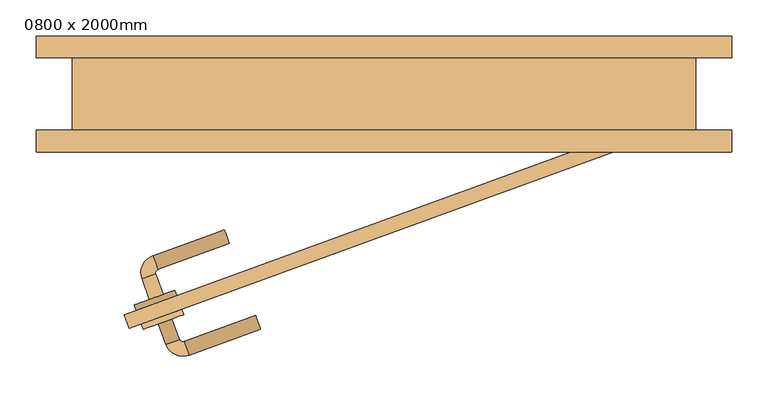
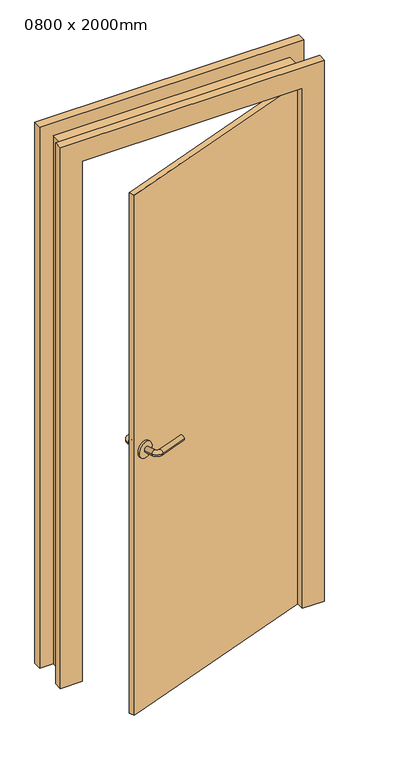
"""IFC4 building model written with IfcOpenShell, lengths in millimetres: door geometry, 0800 x 2000mm."""

from ifc_helpers import new_model, si_unit, point, frame, frame_2d, origin, place, context, project, spatial, circle_curve, ellipse_curve, trimmed, segment, composite_curve, outline, extrude, faceted_brep, source, transform, mapped, element, save
from ifc_brep_helpers import plane_surface, cylinder_surface, revolved_surface, advanced_brep


def door_0800_x_2000mm_86d70830(model_context):
    return source(origin(), model_context, "Body", "SolidModel", [
        advanced_brep(
        [(-323.7429558, -283.6239155, 1000.0), (-304.9491034, -276.7835127, 1000.0), (-334.0035601, -255.4331369, 1000.0), (-315.2097077, -248.5927341, 1000.0), (-312.2213453, -242.1841702, 1000.0), (-319.0617482, -223.3903178, 1000.0), (-220.394023, -187.4782028, 1000.0), (-213.5536201, -206.2720552, 1000.0)],
        [
            (0, 1, circle_curve(frame((-314.3460296, -280.2037141, 1000.0), z_axis=(0.3420201433256621, -0.9396926207859108, 0.0), x_axis=(0.9396926207859095, 0.34202014332566166, 0.0)), 10.0)),
            (1, 0, circle_curve(frame((-314.3460296, -280.2037141, 1000.0), z_axis=(0.3420201433256621, -0.9396926207859108, 0.0), x_axis=(0.9396926207859095, 0.34202014332566166, 0.0)), 10.0)),
            (0, 2),
            (2, 3, circle_curve(frame((-324.6066339, -252.0129355, 1000.0), z_axis=(0.3420201433256621, -0.9396926207859108, 0.0), x_axis=(0.9396926207859095, 0.34202014332566166, 0.0)), 10.0)),
            (3, 1),
            (3, 2, circle_curve(frame((-324.6066339, -252.0129355, 1000.0), z_axis=(0.3420201433256621, -0.9396926207859108, 0.0), x_axis=(0.9396926207859095, 0.34202014332566166, 0.0)), 10.0)),
            (4, 3, circle_curve(frame((-310.5112446, -246.8826333, 1000.0), z_axis=(0.0, 0.0, 1.0), x_axis=(-0.9396926207859095, -0.3420201433256617, 0.0)), 5.0)),
            (2, 5, circle_curve(frame((-310.5112446, -246.8826333, 1000.0), z_axis=(0.0, 0.0, -1.0), x_axis=(-0.9396926207859095, -0.3420201433256617, 0.0)), 25.0)),
            (5, 4, circle_curve(frame((-315.6415467, -232.787244, 1000.0), z_axis=(-0.9396926207859086, -0.34202014332566405, 0.0), x_axis=(0.34202014332566405, -0.9396926207859086, 0.0)), 10.0)),
            (4, 5, circle_curve(frame((-315.6415467, -232.787244, 1000.0), z_axis=(-0.9396926207859074, -0.3420201433256676, 0.0), x_axis=(0.3420201433256676, -0.9396926207859074, 0.0)), 10.0)),
            (6, 7, circle_curve(frame((-216.9738216, -196.875129, 1000.0), z_axis=(0.9396926207859108, 0.3420201433256621, 0.0), x_axis=(0.34202014332566166, -0.9396926207859095, 0.0)), 10.0)),
            (7, 6, circle_curve(frame((-216.9738216, -196.875129, 1000.0), z_axis=(0.9396926207859108, 0.3420201433256621, 0.0), x_axis=(0.34202014332566166, -0.9396926207859095, 0.0)), 10.0)),
            (5, 6),
            (7, 4),
        ],
        [
            plane_surface(frame((-314.3460296, -280.2037141, 1000.0), z_axis=(0.3420201433256621, -0.9396926207859108, 0.0), x_axis=(0.0, 0.0, 1.0))),
            cylinder_surface(frame((-314.3460296, -280.2037141, 1000.0), z_axis=(0.34202014332566166, -0.9396926207859095, 0.0), x_axis=(0.9396926207859095, 0.34202014332566166, 0.0)), 10.0),
            revolved_surface(trimmed(ellipse_curve(frame((-324.6066339, -252.0129355, 1000.0), z_axis=(0.3420201433256617, -0.9396926207859095, 0.0), x_axis=(0.9396926207859095, 0.3420201433256617, 0.0)), 10.0, 10.0), [point((-334.0035601, -255.4331369, 1000.0))], [point((-315.2097077, -248.5927341, 1000.0))], True, "CARTESIAN"), (-310.5112446, -246.8826333, 1000.0), (0.0, 0.0, -1.0)),
            revolved_surface(trimmed(ellipse_curve(frame((-324.6066339, -252.0129355, 1000.0), z_axis=(0.3420201433256617, -0.9396926207859095, 0.0), x_axis=(0.9396926207859095, 0.3420201433256617, 0.0)), 10.0, 10.0), [point((-315.2097077, -248.5927341, 1000.0))], [point((-334.0035601, -255.4331369, 1000.0))], True, "CARTESIAN"), (-310.5112446, -246.8826333, 1000.0), (0.0, 0.0, -1.0)),
            plane_surface(frame((-216.9738216, -196.875129, 1000.0), z_axis=(0.9396926207859108, 0.3420201433256621, 0.0), x_axis=(0.0, 0.0, 1.0))),
            cylinder_surface(frame((-315.6415467, -232.787244, 1000.0), z_axis=(-0.9396926207859095, -0.34202014332566166, 0.0), x_axis=(0.34202014332566166, -0.9396926207859095, 0.0)), 10.0),
        ],
        [
            (0, [[1, 2]]),
            (1, [[-1, 3, 4, 5]]),
            (1, [[-2, -5, 6, -3]]),
            (2, [[7, -4, 8, 9]]),
            (3, [[-8, -6, -7, 10]]),
            (4, [[11, 12]]),
            (5, [[-9, 13, -12, 14]]),
            (5, [[-10, -14, -11, -13]]),
        ],
    ),
        extrude(outline(composite_curve([segment(trimmed(circle_curve(frame_2d((0.0, -30.0)), 30.0), [point((0.0, -60.0))], [point((0.0, 0.0))], False, "CARTESIAN"), True, "CONTINUOUS"), segment(trimmed(circle_curve(frame_2d((0.0, -30.0)), 30.0), [point((0.0, 0.0))], [point((0.0, -60.0))], False, "CARTESIAN"), True, "CONTINUOUS")], self_intersect=False)), frame((-285.7683214, -278.3157011, 1000.0), z_axis=(-0.3420201433256621, 0.9396926207859108, 0.0), x_axis=(0.0, 0.0, 1.0)), (0.0, 0.0, 1.0), 8.0),
        advanced_brep(
        [(-311.4302307, -317.4528499, 1000.0), (-292.6363782, -310.612447, 1000.0), (-282.3757739, -338.8032257, 1000.0), (-301.1696264, -345.6436285, 1000.0), (-275.9672101, -341.791588, 1000.0), (-269.1268072, -360.5854405, 1000.0), (-170.4590821, -324.6733254, 1000.0), (-177.2994849, -305.879473, 1000.0)],
        [
            (0, 1, circle_curve(frame((-302.0333044, -314.0326485, 1000.0), z_axis=(-0.342020143325662, 0.9396926207859111, 0.0), x_axis=(0.9396926207859102, 0.3420201433256617, 0.0)), 10.0)),
            (1, 0, circle_curve(frame((-302.0333044, -314.0326485, 1000.0), z_axis=(-0.342020143325662, 0.9396926207859111, 0.0), x_axis=(0.9396926207859102, 0.3420201433256617, 0.0)), 10.0)),
            (1, 2),
            (2, 3, circle_curve(frame((-291.7727001, -342.2234271, 1000.0), z_axis=(-0.342020143325662, 0.9396926207859111, 0.0), x_axis=(0.9396926207859102, 0.3420201433256617, 0.0)), 10.0)),
            (3, 0),
            (3, 2, circle_curve(frame((-291.7727001, -342.2234271, 1000.0), z_axis=(-0.342020143325662, 0.9396926207859111, 0.0), x_axis=(0.9396926207859102, 0.3420201433256617, 0.0)), 10.0)),
            (4, 5, circle_curve(frame((-272.5470087, -351.1885142, 1000.0), z_axis=(-0.9396926207859113, -0.3420201433256585, 0.0), x_axis=(-0.3420201433256585, 0.9396926207859113, 0.0)), 10.0)),
            (5, 3, circle_curve(frame((-277.6773108, -337.0931249, 1000.0), z_axis=(0.0, 0.0, -1.0), x_axis=(-0.9396926207859102, -0.34202014332566166, 0.0)), 25.0)),
            (2, 4, circle_curve(frame((-277.6773108, -337.0931249, 1000.0), z_axis=(0.0, 0.0, 1.0), x_axis=(-0.9396926207859102, -0.34202014332566166, 0.0)), 5.0)),
            (5, 4, circle_curve(frame((-272.5470087, -351.1885142, 1000.0), z_axis=(-0.9396926207859111, -0.3420201433256591, 0.0), x_axis=(-0.3420201433256591, 0.9396926207859111, 0.0)), 10.0)),
            (6, 7, circle_curve(frame((-173.8792835, -315.2763992, 1000.0), z_axis=(0.9396926207859111, 0.342020143325662, 0.0), x_axis=(-0.3420201433256617, 0.9396926207859102, 0.0)), 10.0)),
            (7, 6, circle_curve(frame((-173.8792835, -315.2763992, 1000.0), z_axis=(0.9396926207859111, 0.342020143325662, 0.0), x_axis=(-0.3420201433256617, 0.9396926207859102, 0.0)), 10.0)),
            (4, 7),
            (6, 5),
        ],
        [
            plane_surface(frame((-302.0333044, -314.0326485, 1000.0), z_axis=(-0.342020143325662, 0.939692620785911, 0.0), x_axis=(0.0, 0.0, 1.0))),
            cylinder_surface(frame((-302.0333044, -314.0326485, 1000.0), z_axis=(-0.3420201433256617, 0.9396926207859102, 0.0), x_axis=(0.9396926207859102, 0.3420201433256617, 0.0)), 10.0),
            revolved_surface(trimmed(ellipse_curve(frame((-291.7727001, -342.2234271, 1000.0), z_axis=(0.34202014332566166, -0.9396926207859102, 0.0), x_axis=(0.9396926207859102, 0.34202014332566166, 0.0)), 10.0, 10.0), [point((-301.1696264, -345.6436285, 1000.0))], [point((-282.3757739, -338.8032257, 1000.0))], True, "CARTESIAN"), (-277.6773108, -337.0931249, 1000.0), (0.0, 0.0, -1.0)),
            revolved_surface(trimmed(ellipse_curve(frame((-291.7727001, -342.2234271, 1000.0), z_axis=(0.34202014332566166, -0.9396926207859102, 0.0), x_axis=(0.9396926207859102, 0.34202014332566166, 0.0)), 10.0, 10.0), [point((-282.3757739, -338.8032257, 1000.0))], [point((-301.1696264, -345.6436285, 1000.0))], True, "CARTESIAN"), (-277.6773108, -337.0931249, 1000.0), (0.0, 0.0, -1.0)),
            plane_surface(frame((-173.8792835, -315.2763992, 1000.0), z_axis=(0.939692620785911, 0.342020143325662, 0.0), x_axis=(0.0, 0.0, 1.0))),
            cylinder_surface(frame((-272.5470087, -351.1885142, 1000.0), z_axis=(-0.9396926207859102, -0.3420201433256617, 0.0), x_axis=(-0.3420201433256617, 0.9396926207859102, 0.0)), 10.0),
        ],
        [
            (0, [[1, 2]]),
            (1, [[3, 4, 5, -2]]),
            (1, [[-5, 6, -3, -1]]),
            (2, [[7, 8, -4, 9]]),
            (3, [[10, -9, -6, -8]]),
            (4, [[11, 12]]),
            (5, [[13, -11, 14, -7]]),
            (5, [[-14, -12, -13, -10]]),
        ],
    ),
        extrude(outline(composite_curve([segment(trimmed(circle_curve(frame_2d((0.0, 30.0)), 30.0), [point((0.0, 60.0))], [point((0.0, 0.0))], False, "CARTESIAN"), True, "CONTINUOUS"), segment(trimmed(circle_curve(frame_2d((0.0, 30.0)), 30.0), [point((0.0, 0.0))], [point((0.0, 60.0))], False, "CARTESIAN"), True, "CONTINUOUS")], self_intersect=False)), frame((-276.1917574, -304.6270945, 1000.0), z_axis=(-0.342020143325662, 0.939692620785911, 0.0), x_axis=(0.0, 0.0, -1.0)), (0.0, 0.0, 1.0), 8.0),
        faceted_brep([(-430.0, -50.0, 0.0), (-430.0, 50.0, 0.0), (-480.0, 50.0, 0.0), (-480.0, 80.0, 0.0), (-400.0, 80.0, 0.0), (-400.0, -80.0, 0.0), (-480.0, -80.0, 0.0), (-480.0, -50.0, 0.0), (-480.0, -50.0, 2080.0), (480.0, -50.0, 2080.0), (480.0, -50.0, 0.0), (430.0, -50.0, 0.0), (430.0, -50.0, 2030.0), (-430.0, -50.0, 2030.0), (-480.0, -80.0, 2080.0), (-400.0, -80.0, 2000.0), (400.0, -80.0, 2000.0), (400.0, -80.0, 0.0), (480.0, -80.0, 0.0), (480.0, -80.0, 2080.0), (-400.0, 80.0, 2000.0), (-480.0, 80.0, 2080.0), (480.0, 80.0, 2080.0), (480.0, 80.0, 0.0), (400.0, 80.0, 0.0), (400.0, 80.0, 2000.0), (-480.0, 50.0, 2080.0), (-430.0, 50.0, 2030.0), (430.0, 50.0, 2030.0), (430.0, 50.0, 0.0), (480.0, 50.0, 0.0), (480.0, 50.0, 2080.0)], [[[0, 1, 2, 3, 4, 5, 6, 7]], [[7, 8, 9, 10, 11, 12, 13, 0]], [[6, 14, 8, 7]], [[5, 15, 16, 17, 18, 19, 14, 6]], [[4, 20, 15, 5]], [[3, 21, 22, 23, 24, 25, 20, 4]], [[2, 26, 21, 3]], [[1, 27, 28, 29, 30, 31, 26, 2]], [[0, 13, 27, 1]], [[12, 11, 29, 28]], [[11, 10, 18, 17, 24, 23, 30, 29]], [[19, 18, 10, 9]], [[25, 24, 17, 16]], [[31, 30, 23, 22]], [[14, 19, 9, 8]], [[20, 25, 16, 15]], [[26, 31, 22, 21]], [[13, 12, 28, 27]]]),
        faceted_brep([(-351.7540966, -323.6161147, 0.0), (-358.5944995, -304.8222622, 0.0), (393.1595971, -31.2061476, 0.0), (400.0, -50.0, 0.0), (-351.7540966, -323.6161147, 2000.0), (400.0, -50.0, 2000.0), (393.1595971, -31.2061476, 2000.0), (-358.5944995, -304.8222622, 2000.0), (341.523912, -50.0, 2000.0)], [[[0, 1, 2, 3]], [[4, 0, 3, 5]], [[5, 3, 2, 6]], [[1, 7, 8, 6, 2]], [[7, 1, 0, 4]], [[4, 5, 6, 8, 7]]]),
    ])


if __name__ == "__main__":
    model = new_model("IFC4")
    model_context = context("Model", 3, world=origin())
    ifc_project = project(units=[si_unit("LENGTHUNIT", "METRE", prefix="MILLI")], contexts=[model_context])
    site = spatial("IfcSite", under=ifc_project)
    building = spatial("IfcBuilding", under=site)
    placement = place(None, origin())
    door_0800_x_2000mm_shape = door_0800_x_2000mm_86d70830(model_context)
    element("IfcDoor", 1, ObjectType="0800 x 2000mm", at=placement, inside=building, context=model_context, shape_type="MappedRepresentation", body=[
        mapped(door_0800_x_2000mm_shape, transform((0.0, 0.0, 0.0), x_axis=(1.0, 0.0, 0.0), y_axis=(0.0, 1.0, 0.0), z_axis=(0.0, 0.0, 1.0))),
    ])
    save(model, "model.ifc")
